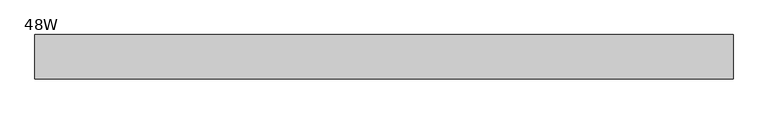
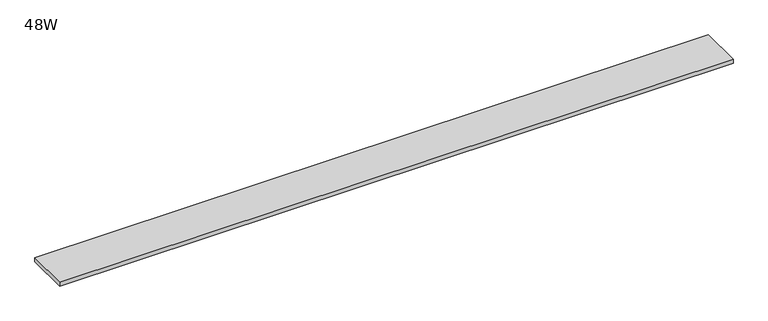
"""IFC4 building model written with IfcOpenShell, lengths in millimetres: furniture geometry, 48W."""

from ifc_helpers import new_model, si_unit, frame, origin, place, context, project, spatial, polyline, outline, extrude, source, transform, mapped, element, save


def furniture_48w_6f1d698c(model_context):
    return source(origin(), model_context, "Body", "SweptSolid", [
        extrude(outline(polyline([(553.61205, 38.735), (553.61205, -38.735), (-665.58795, -38.735), (-665.58795, 38.735), (553.61205, 38.735)])), frame((0.0, 0.0, 1429.766), z_axis=(0.0, 0.0, 1.0), x_axis=(1.0, 0.0, 0.0)), (0.0, 0.0, 1.0), 6.858),
    ])


if __name__ == "__main__":
    model = new_model("IFC4")
    model_context = context("Model", 3, world=origin())
    ifc_project = project(units=[si_unit("LENGTHUNIT", "METRE", prefix="MILLI")], contexts=[model_context])
    site = spatial("IfcSite", under=ifc_project)
    building = spatial("IfcBuilding", under=site)
    placement = place(None, origin())
    furniture_48w_shape = furniture_48w_6f1d698c(model_context)
    element("IfcFurniture", 1, ObjectType="48W", at=placement, inside=building, context=model_context, shape_type="MappedRepresentation", body=[
        mapped(furniture_48w_shape, transform((0.0, 0.0, 0.0), x_axis=(1.0, 0.0, 0.0), y_axis=(0.0, 1.0, 0.0), z_axis=(0.0, 0.0, 1.0))),
    ])
    save(model, "model.ifc")
